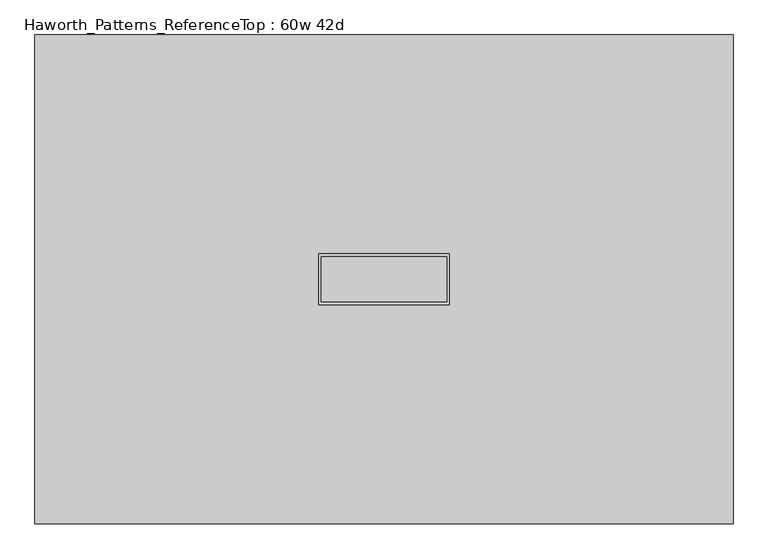
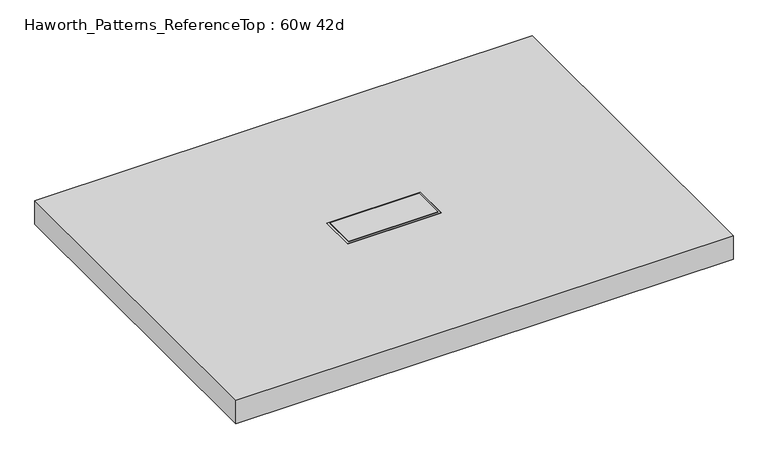
"""IFC4 building model written with IfcOpenShell, lengths in millimetres: furniture geometry, Haworth_Patterns_ReferenceTop : 60w 42d."""

import ifcopenshell
import ifcopenshell.guid

model = None  # the IFC model being written
_history = None  # IfcOwnerHistory: only IFC2X3 demands one
_inside = {}  # id of a spatial element -> (the spatial element, [elements in it])
_under = {}  # id of a project, library or spatial element -> (it, [spatial elements below it])
_declared = {}  # id of a project -> (the project, [libraries it declares])
_typed = {}  # id of a type object -> (the type object, [elements of that type])
_made_of = {}  # id of a material, layer set ... -> (it, [elements and type objects made of it])


def new_model(schema):
    """Start an empty IFC model of exactly this schema.

    Asked for "IFC4X3", IfcOpenShell would pick the latest addendum, in which some entities
    have other attributes; the version numbers below select the first issue.
    IFC2X3 requires an IfcOwnerHistory on every rooted entity: one is made here for all.
    """
    global model, _history
    if schema == "IFC4X3":
        model = ifcopenshell.file(schema_version=(4, 3, 0, 0))
    else:
        model = ifcopenshell.file(schema=schema)
    _inside.clear()
    _under.clear()
    _declared.clear()
    _typed.clear()
    _made_of.clear()
    _history = None
    if model.schema == "IFC2X3":
        org = make("IfcOrganization", Name="unknown")
        user = make(
            "IfcPersonAndOrganization",
            ThePerson=make("IfcPerson", FamilyName="unknown"),
            TheOrganization=org,
        )
        app = make(
            "IfcApplication",
            ApplicationDeveloper=org,
            Version="unknown",
            ApplicationFullName="unknown",
            ApplicationIdentifier="unknown",
        )
        _history = make(
            "IfcOwnerHistory",
            OwningUser=user,
            OwningApplication=app,
            ChangeAction="ADDED",
            CreationDate=0,
        )
    return model


def make(cls, **values):
    """One entity of the class cls with the attributes given. An attribute that is None is left unset."""
    return model.create_entity(
        cls, **{name: value for name, value in values.items() if value is not None}
    )


def rooted(cls, **values):
    """An entity with a GlobalId (a new one), such as an element, a storey or a relation."""
    return make(cls, GlobalId=ifcopenshell.guid.new(), OwnerHistory=_history, **values)


def si_unit(unit_type, name, prefix=None):
    """IfcSIUnit, for example si_unit("LENGTHUNIT", "METRE", prefix="MILLI")."""
    return make("IfcSIUnit", UnitType=unit_type, Prefix=prefix, Name=name)


def assignment(units):
    """IfcUnitAssignment: the units of a project."""
    return None if units is None else make("IfcUnitAssignment", Units=units)


def point(xyz):
    """IfcCartesianPoint."""
    return None if xyz is None else make("IfcCartesianPoint", Coordinates=xyz)


def direction(xyz):
    """IfcDirection."""
    return None if xyz is None else make("IfcDirection", DirectionRatios=xyz)


def frame(location, z_axis=None, x_axis=None):
    """IfcAxis2Placement3D, a coordinate frame: its origin and axes. An axis left out is left unset."""
    return make(
        "IfcAxis2Placement3D",
        Location=point(location),
        Axis=direction(z_axis),
        RefDirection=direction(x_axis),
    )


def origin():
    """The frame at (0, 0, 0) with its axes left unset."""
    return frame((0.0, 0.0, 0.0))


def place(relative_to, where):
    """IfcLocalPlacement: puts the frame where relative to a parent placement (None: the world)."""
    return make(
        "IfcLocalPlacement", PlacementRelTo=relative_to, RelativePlacement=where
    )


def context(
    kind, dimensions, precision=None, world=None, true_north=None, identifier=None
):
    """IfcGeometricRepresentationContext, for example the 3D "Model" context."""
    return make(
        "IfcGeometricRepresentationContext",
        ContextIdentifier=identifier,
        ContextType=kind,
        CoordinateSpaceDimension=dimensions,
        Precision=precision,
        WorldCoordinateSystem=world,
        TrueNorth=true_north,
    )


def project(units=None, contexts=None):
    """IfcProject with its units and contexts."""
    return rooted(
        "IfcProject",
        Name="project",
        RepresentationContexts=contexts,
        UnitsInContext=assignment(units),
    )


def spatial(cls, under=None, at=None, **own):
    """A site, building, storey or space (cls), placed at a placement, below another one or the project."""
    s = rooted(cls, ObjectPlacement=at, **own)
    if under is not None:
        _under.setdefault(under.id(), (under, []))[1].append(s)
    return s


def faces_of(points, faces, orient=None, outer=None):
    """IfcFace entities. A face is a list of loops; a loop is a list of indices into points, from 0.

    orient and outer hold one flag for each loop. By default every Orientation is true, the
    first loop of a face is its IfcFaceOuterBound and the others are IfcFaceBound.
    """
    made = []
    for i, loops in enumerate(faces):
        bounds = []
        for j, loop in enumerate(loops):
            is_outer = j == 0 if outer is None else outer[i][j]
            bounds.append(
                make(
                    "IfcFaceOuterBound" if is_outer else "IfcFaceBound",
                    Bound=make("IfcPolyLoop", Polygon=[points[k] for k in loop]),
                    Orientation=True if orient is None else orient[i][j],
                )
            )
        made.append(make("IfcFace", Bounds=bounds))
    return made


def faceted_brep(points, faces, orient=None, outer=None, voids=None):
    """IfcFacetedBrep: a solid bounded by flat faces; with voids (closed shells), ...WithVoids."""
    shared = [point(p) for p in points]
    hull = make("IfcClosedShell", CfsFaces=faces_of(shared, faces, orient, outer))
    if voids is None:
        return make("IfcFacetedBrep", Outer=hull)
    return make(
        "IfcFacetedBrepWithVoids",
        Outer=hull,
        Voids=[
            make(cls, CfsFaces=faces_of(shared, fs, o, b)) for cls, fs, o, b in voids
        ],
    )


def shape(context_of_items, identifier, shape_type, items):
    """IfcShapeRepresentation: the items that make up one representation, for example the "Body"."""
    return make(
        "IfcShapeRepresentation",
        ContextOfItems=context_of_items,
        RepresentationIdentifier=identifier,
        RepresentationType=shape_type,
        Items=items,
    )


def source(mapping_origin, context_of_items, identifier, shape_type, items):
    """IfcRepresentationMap: a shape defined once, which mapped items show again and again."""
    return make(
        "IfcRepresentationMap",
        MappingOrigin=mapping_origin,
        MappedRepresentation=shape(context_of_items, identifier, shape_type, items),
    )


def transform(
    local_origin,
    x_axis=None,
    y_axis=None,
    z_axis=None,
    scale=None,
    scale2=None,
    scale3=None,
    uniform=True,
):
    """IfcCartesianTransformationOperator3D, or its non-uniform kind. x_axis, y_axis, z_axis: its Axis1, 2, 3."""
    if uniform:
        return make(
            "IfcCartesianTransformationOperator3D",
            Axis1=direction(x_axis),
            Axis2=direction(y_axis),
            LocalOrigin=point(local_origin),
            Scale=scale,
            Axis3=direction(z_axis),
        )
    return make(
        "IfcCartesianTransformationOperator3DnonUniform",
        Axis1=direction(x_axis),
        Axis2=direction(y_axis),
        LocalOrigin=point(local_origin),
        Scale=scale,
        Axis3=direction(z_axis),
        Scale2=scale2,
        Scale3=scale3,
    )


def mapped(mapping_source, mapping_target):
    """IfcMappedItem: shows the shape of a source again, moved by a transform."""
    return make(
        "IfcMappedItem", MappingSource=mapping_source, MappingTarget=mapping_target
    )


def made_of(thing, what):
    """Note that an element or type object is made of a material, layer set ...; save() writes the relation."""
    if what is not None:
        _made_of.setdefault(what.id(), (what, []))[1].append(thing)
    return thing


def element(
    cls,
    number,
    at=None,
    inside=None,
    cuts=None,
    type_object=None,
    material=None,
    context=None,
    identifier="Body",
    shape_type=None,
    held_by="IfcProductDefinitionShape",
    body=None,
    shapes=None,
    **own,
):
    """One element of the class cls, such as IfcWall. Its Tag is "e" and its number.

    at: its placement. inside: the storey or other place that contains it. cuts: it is an
    opening in that element (IfcRelVoidsElement). A single representation is given by context,
    identifier, shape_type and body (its items); several are given by shapes. held_by: the class
    of the entity that holds the representations. save() writes the other relations.
    """
    e = rooted(cls, Tag="e%d" % number, ObjectPlacement=at, **own)
    if body is not None:
        shapes = [shape(context, identifier, shape_type, body)]
    if shapes is not None:
        e.Representation = make(held_by, Representations=shapes)
    if inside is not None:
        _inside.setdefault(inside.id(), (inside, []))[1].append(e)
    if cuts is not None:
        rooted(
            "IfcRelVoidsElement", RelatingBuildingElement=cuts, RelatedOpeningElement=e
        )
    if type_object is not None:
        _typed.setdefault(type_object.id(), (type_object, []))[1].append(e)
    return made_of(e, material)


def aggregate(whole, parts):
    """IfcRelAggregates: a whole, such as a stair, and the parts it consists of."""
    return rooted("IfcRelAggregates", RelatingObject=whole, RelatedObjects=parts)


def save(model, path):
    """Write the relations noted so far, then the file.

    IfcRelAggregates (storeys below a building ...), IfcRelContainedInSpatialStructure (elements
    in a storey), IfcRelDefinesByType, IfcRelAssociatesMaterial and IfcRelDeclares: one each for
    every whole, place, type object, material and project.
    """
    for whole, parts in _under.values():
        aggregate(whole, parts)
    for where, things in _inside.values():
        rooted(
            "IfcRelContainedInSpatialStructure",
            RelatedElements=things,
            RelatingStructure=where,
        )
    for kind, things in _typed.values():
        rooted("IfcRelDefinesByType", RelatedObjects=things, RelatingType=kind)
    for what, things in _made_of.values():
        rooted("IfcRelAssociatesMaterial", RelatedObjects=things, RelatingMaterial=what)
    for by, libraries in _declared.values():
        rooted("IfcRelDeclares", RelatingContext=by, RelatedDefinitions=libraries)
    model.write(path)


def haworth_patterns_referencetop_60w_42d_f135730a(model_context):
    return source(origin(), model_context, "Body", "Brep", [
        faceted_brep([(136.525, 49.2125, 1209.675), (-136.525, 49.2125, 1209.675), (-136.525, -49.2125, 1209.675), (136.525, -49.2125, 1209.675), (136.525, 49.2125, 1206.5), (-136.525, 49.2125, 1206.5), (-136.525, -49.2125, 1206.5), (136.525, -49.2125, 1206.5), (142.875, 55.5625, 1136.65), (142.875, -55.5625, 1136.65), (-142.875, -55.5625, 1136.65), (-142.875, 55.5625, 1136.65), (142.875, 55.5625, 1206.5), (-142.875, 55.5625, 1206.5), (-142.875, -55.5625, 1206.5), (142.875, -55.5625, 1206.5)], [[[0, 1, 2, 3]], [[1, 0, 4, 5]], [[2, 1, 5, 6]], [[3, 2, 6, 7]], [[0, 3, 7, 4]], [[8, 9, 10, 11]], [[12, 13, 14, 15], [5, 4, 7, 6]], [[8, 11, 13, 12]], [[11, 10, 14, 13]], [[10, 9, 15, 14]], [[9, 8, 12, 15]]]),
        faceted_brep([(762.0, 533.4, 1206.5), (-762.0, 533.4, 1206.5), (-762.0, -533.4, 1206.5), (762.0, -533.4, 1206.5), (-142.875, 55.5625, 1206.5), (142.875, 55.5625, 1206.5), (142.875, -55.5625, 1206.5), (-142.875, -55.5625, 1206.5), (762.0, 533.4, 1130.3), (762.0, -533.4, 1130.3), (-762.0, -533.4, 1130.3), (-762.0, 533.4, 1130.3), (-142.875, 55.5625, 1136.65), (142.875, 55.5625, 1136.65), (-142.875, -55.5625, 1136.65), (142.875, -55.5625, 1136.65)], [[[0, 1, 2, 3], [4, 5, 6, 7]], [[8, 9, 10, 11]], [[1, 0, 8, 11]], [[2, 1, 11, 10]], [[3, 2, 10, 9]], [[0, 3, 9, 8]], [[12, 13, 5, 4]], [[14, 12, 4, 7]], [[15, 14, 7, 6]], [[13, 15, 6, 5]], [[13, 12, 14, 15]]]),
    ])


if __name__ == "__main__":
    model = new_model("IFC4")
    model_context = context("Model", 3, world=origin())
    ifc_project = project(units=[si_unit("LENGTHUNIT", "METRE", prefix="MILLI")], contexts=[model_context])
    site = spatial("IfcSite", under=ifc_project)
    building = spatial("IfcBuilding", under=site)
    placement = place(None, origin())
    haworth_patterns_referencetop_60w_42d_shape = haworth_patterns_referencetop_60w_42d_f135730a(model_context)
    element("IfcFurniture", 1, ObjectType="Haworth_Patterns_ReferenceTop : 60w 42d", at=placement, inside=building, context=model_context, shape_type="MappedRepresentation", body=[
        mapped(haworth_patterns_referencetop_60w_42d_shape, transform((0.0, 0.0, 0.0), x_axis=(1.0, 0.0, 0.0), y_axis=(0.0, 1.0, 0.0), z_axis=(0.0, 0.0, 1.0))),
    ])
    save(model, "model.ifc")
